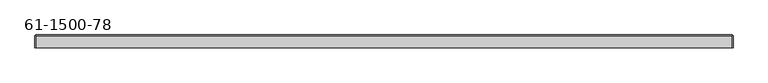
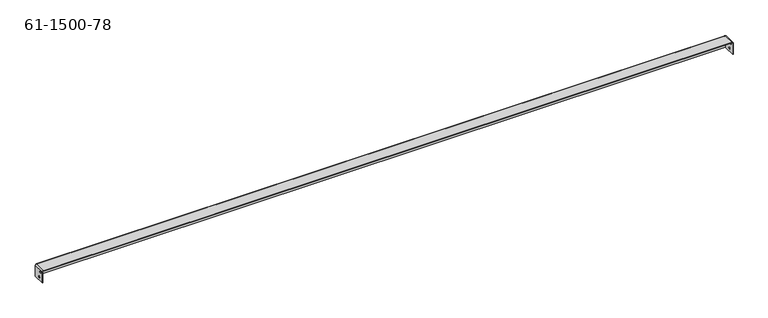
"""IFC4 building model written with IfcOpenShell, lengths in millimetres: proxy geometry, 61-1500-78."""

from ifc_helpers import new_model, si_unit, frame, origin, place, context, project, spatial, polyline, circle_curve, source, transform, mapped, element, save
from ifc_brep_helpers import plane_surface, cylinder_surface, revolved_surface, advanced_brep


def proxy_61_1500_78_7c86afb4(model_context):
    return source(origin(), model_context, "Body", "AdvancedBrep", [
        advanced_brep(
        [(-195.4114734, -8.8208295, -3.62966), (-196.4173134, -8.8208295, -3.62966), (-196.4173134, -8.8208295, -7.05866), (-195.4114734, -8.8208295, -7.05866), (1197.1028866, -8.8208295, -3.62966), (1196.0970466, -8.8208295, -3.62966), (1196.0970466, -8.8208295, -7.05866), (1197.1028866, -8.8208295, -7.05866), (-196.4173134, -4.1777095, -19.75866), (-195.4114734, -4.1777095, -19.75866), (-195.4114734, -4.1777095, -16.32966), (-196.4173134, -4.1777095, -16.32966), (1196.0970466, -4.1777095, -19.75866), (1197.1028866, -4.1777095, -19.75866), (1197.1028866, -4.1777095, -16.32966), (1196.0970466, -4.1777095, -16.32966), (418.4138166, 9.2233305, -11.69416), (418.4138166, 10.2291705, -11.69416), (415.3658166, 10.2291705, -11.69416), (415.3658166, 9.2233305, -11.69416), (139.0138166, 9.2233305, -11.69416), (139.0138166, 10.2291705, -11.69416), (135.9658166, 10.2291705, -11.69416), (135.9658166, 9.2233305, -11.69416), (-140.3861834, 9.2233305, -11.69416), (-140.3861834, 10.2291705, -11.69416), (-143.4341834, 10.2291705, -11.69416), (-143.4341834, 9.2233305, -11.69416), (725.0197566, 9.2233305, -11.69416), (725.0197566, 10.2291705, -11.69416), (721.9717566, 10.2291705, -11.69416), (721.9717566, 9.2233305, -11.69416), (1004.4197566, 9.2233305, -11.69416), (1004.4197566, 10.2291705, -11.69416), (1001.3717566, 10.2291705, -11.69416), (1001.3717566, 9.2233305, -11.69416), (1144.1197566, 9.2233305, -11.69416), (1144.1197566, 10.2291705, -11.69416), (1141.0717566, 10.2291705, -11.69416), (1141.0717566, 9.2233305, -11.69416), (864.7197566, 9.2233305, -11.69416), (864.7197566, 10.2291705, -11.69416), (861.6717566, 10.2291705, -11.69416), (861.6717566, 9.2233305, -11.69416), (585.3197566, 9.2233305, -11.69416), (585.3197566, 10.2291705, -11.69416), (582.2717566, 10.2291705, -11.69416), (582.2717566, 9.2233305, -11.69416), (-0.6861834, 9.2233305, -11.69416), (-0.6861834, 10.2291705, -11.69416), (-3.7341834, 10.2291705, -11.69416), (-3.7341834, 9.2233305, -11.69416), (278.7138166, 9.2233305, -11.69416), (278.7138166, 10.2291705, -11.69416), (275.6658166, 10.2291705, -11.69416), (275.6658166, 9.2233305, -11.69416), (-194.4056334, 9.2233305, -24.39416), (-194.4056334, 10.2291705, -24.39416), (1195.0912066, 10.2291705, -24.39416), (1195.0912066, 9.2233305, -24.39416), (-194.4056334, 10.2291705, -1.00584), (1195.0912066, 10.2291705, -1.00584), (1197.1028866, -15.1708295, -1.00584), (1197.1028866, 8.2174905, -1.00584), (1195.0912066, 8.2174905, 1.00584), (1195.0912066, -15.1708295, 1.00584), (1196.0970466, 8.2174905, -1.00584), (1196.0970466, -15.1708295, -1.00584), (1195.0912066, -15.1708295, 0.0), (1195.0912066, 8.2174905, 0.0), (1195.0912066, 9.2233305, -1.00584), (-194.4056334, 8.2174905, 1.00584), (-194.4056334, -15.1708295, 0.0), (-194.4056334, 8.2174905, 0.0), (-194.4056334, -15.1708295, 1.00584), (-196.4173134, -15.1708295, -1.00584), (-196.4173134, -15.1708295, -24.39416), (-195.4114734, -15.1708295, -24.39416), (-195.4114734, -15.1708295, -1.00584), (1196.0970466, -15.1708295, -24.39416), (1197.1028866, -15.1708295, -24.39416), (-196.4173134, 8.2174905, -1.00584), (-195.4114734, 8.2174905, -1.00584), (-194.4056334, 9.2233305, -1.00584), (-196.4173134, 8.2174905, -24.39416), (-195.4114734, 8.2174905, -24.39416), (1197.1028866, 8.2174905, -24.39416), (1196.0970466, 8.2174905, -24.39416)],
        [
            (0, 1),
            (1, 2, circle_curve(frame((-196.4173134, -8.8208295, -5.34416), z_axis=(-1.0, 0.0, 0.0), x_axis=(0.0, 0.0, 1.0)), 1.7145)),
            (2, 3),
            (3, 0, circle_curve(frame((-195.4114734, -8.8208295, -5.34416), z_axis=(1.0, 0.0, 0.0), x_axis=(0.0, 0.0, 1.0)), 1.7145)),
            (4, 5),
            (5, 6, circle_curve(frame((1196.0970466, -8.8208295, -5.34416), z_axis=(-1.0, 0.0, 0.0), x_axis=(0.0, 0.0, 1.0)), 1.7145)),
            (6, 7),
            (7, 4, circle_curve(frame((1197.1028866, -8.8208295, -5.34416), z_axis=(1.0, 0.0, 0.0), x_axis=(0.0, 0.0, 1.0)), 1.7145)),
            (8, 9),
            (9, 10, circle_curve(frame((-195.4114734, -4.1777095, -18.04416), z_axis=(1.0, 0.0, 0.0), x_axis=(0.0, 0.0, -1.0)), 1.7145)),
            (10, 11),
            (11, 8, circle_curve(frame((-196.4173134, -4.1777095, -18.04416), z_axis=(-1.0, 0.0, 0.0), x_axis=(0.0, 0.0, -1.0)), 1.7145)),
            (12, 13),
            (13, 14, circle_curve(frame((1197.1028866, -4.1777095, -18.04416), z_axis=(1.0, 0.0, 0.0), x_axis=(0.0, 0.0, -1.0)), 1.7145)),
            (14, 15),
            (15, 12, circle_curve(frame((1196.0970466, -4.1777095, -18.04416), z_axis=(-1.0, 0.0, 0.0), x_axis=(0.0, 0.0, -1.0)), 1.7145)),
            (16, 17),
            (17, 18, circle_curve(frame((416.8898166, 10.2291705, -11.69416), z_axis=(0.0, 1.0, 0.0), x_axis=(1.0, 0.0, 0.0)), 1.524)),
            (18, 19),
            (19, 16, circle_curve(frame((416.8898166, 9.2233305, -11.69416), z_axis=(0.0, -1.0, 0.0), x_axis=(1.0, 0.0, 0.0)), 1.524)),
            (20, 21),
            (21, 22, circle_curve(frame((137.4898166, 10.2291705, -11.69416), z_axis=(0.0, 1.0, 0.0), x_axis=(1.0, 0.0, 0.0)), 1.524)),
            (22, 23),
            (23, 20, circle_curve(frame((137.4898166, 9.2233305, -11.69416), z_axis=(0.0, -1.0, 0.0), x_axis=(1.0, 0.0, 0.0)), 1.524)),
            (24, 25),
            (25, 26, circle_curve(frame((-141.9101834, 10.2291705, -11.69416), z_axis=(0.0, 1.0, 0.0), x_axis=(1.0, 0.0, 0.0)), 1.524)),
            (26, 27),
            (27, 24, circle_curve(frame((-141.9101834, 9.2233305, -11.69416), z_axis=(0.0, -1.0, 0.0), x_axis=(1.0, 0.0, 0.0)), 1.524)),
            (28, 29),
            (29, 30, circle_curve(frame((723.4957566, 10.2291705, -11.69416), z_axis=(0.0, 1.0, 0.0), x_axis=(1.0, 0.0, 0.0)), 1.524)),
            (30, 31),
            (31, 28, circle_curve(frame((723.4957566, 9.2233305, -11.69416), z_axis=(0.0, -1.0, 0.0), x_axis=(1.0, 0.0, 0.0)), 1.524)),
            (32, 33),
            (33, 34, circle_curve(frame((1002.8957566, 10.2291705, -11.69416), z_axis=(0.0, 1.0, 0.0), x_axis=(1.0, 0.0, 0.0)), 1.524)),
            (34, 35),
            (35, 32, circle_curve(frame((1002.8957566, 9.2233305, -11.69416), z_axis=(0.0, -1.0, 0.0), x_axis=(1.0, 0.0, 0.0)), 1.524)),
            (36, 37),
            (37, 38, circle_curve(frame((1142.5957566, 10.2291705, -11.69416), z_axis=(0.0, 1.0, 0.0), x_axis=(1.0, 0.0, 0.0)), 1.524)),
            (38, 39),
            (39, 36, circle_curve(frame((1142.5957566, 9.2233305, -11.69416), z_axis=(0.0, -1.0, 0.0), x_axis=(1.0, 0.0, 0.0)), 1.524)),
            (40, 41),
            (41, 42, circle_curve(frame((863.1957566, 10.2291705, -11.69416), z_axis=(0.0, 1.0, 0.0), x_axis=(1.0, 0.0, 0.0)), 1.524)),
            (42, 43),
            (43, 40, circle_curve(frame((863.1957566, 9.2233305, -11.69416), z_axis=(0.0, -1.0, 0.0), x_axis=(1.0, 0.0, 0.0)), 1.524)),
            (44, 45),
            (45, 46, circle_curve(frame((583.7957566, 10.2291705, -11.69416), z_axis=(0.0, 1.0, 0.0), x_axis=(1.0, 0.0, 0.0)), 1.524)),
            (46, 47),
            (47, 44, circle_curve(frame((583.7957566, 9.2233305, -11.69416), z_axis=(0.0, -1.0, 0.0), x_axis=(1.0, 0.0, 0.0)), 1.524)),
            (48, 49),
            (49, 50, circle_curve(frame((-2.2101834, 10.2291705, -11.69416), z_axis=(0.0, 1.0, 0.0), x_axis=(1.0, 0.0, 0.0)), 1.524)),
            (50, 51),
            (51, 48, circle_curve(frame((-2.2101834, 9.2233305, -11.69416), z_axis=(0.0, -1.0, 0.0), x_axis=(1.0, 0.0, 0.0)), 1.524)),
            (52, 53),
            (53, 54, circle_curve(frame((277.1898166, 10.2291705, -11.69416), z_axis=(0.0, 1.0, 0.0), x_axis=(1.0, 0.0, 0.0)), 1.524)),
            (54, 55),
            (55, 52, circle_curve(frame((277.1898166, 9.2233305, -11.69416), z_axis=(0.0, -1.0, 0.0), x_axis=(1.0, 0.0, 0.0)), 1.524)),
            (52, 55, circle_curve(frame((277.1898166, 9.2233305, -11.69416), z_axis=(0.0, -1.0, 0.0), x_axis=(1.0, 0.0, 0.0)), 1.524)),
            (54, 53, circle_curve(frame((277.1898166, 10.2291705, -11.69416), z_axis=(0.0, 1.0, 0.0), x_axis=(1.0, 0.0, 0.0)), 1.524)),
            (48, 51, circle_curve(frame((-2.2101834, 9.2233305, -11.69416), z_axis=(0.0, -1.0, 0.0), x_axis=(1.0, 0.0, 0.0)), 1.524)),
            (50, 49, circle_curve(frame((-2.2101834, 10.2291705, -11.69416), z_axis=(0.0, 1.0, 0.0), x_axis=(1.0, 0.0, 0.0)), 1.524)),
            (44, 47, circle_curve(frame((583.7957566, 9.2233305, -11.69416), z_axis=(0.0, -1.0, 0.0), x_axis=(1.0, 0.0, 0.0)), 1.524)),
            (46, 45, circle_curve(frame((583.7957566, 10.2291705, -11.69416), z_axis=(0.0, 1.0, 0.0), x_axis=(1.0, 0.0, 0.0)), 1.524)),
            (40, 43, circle_curve(frame((863.1957566, 9.2233305, -11.69416), z_axis=(0.0, -1.0, 0.0), x_axis=(1.0, 0.0, 0.0)), 1.524)),
            (42, 41, circle_curve(frame((863.1957566, 10.2291705, -11.69416), z_axis=(0.0, 1.0, 0.0), x_axis=(1.0, 0.0, 0.0)), 1.524)),
            (36, 39, circle_curve(frame((1142.5957566, 9.2233305, -11.69416), z_axis=(0.0, -1.0, 0.0), x_axis=(1.0, 0.0, 0.0)), 1.524)),
            (38, 37, circle_curve(frame((1142.5957566, 10.2291705, -11.69416), z_axis=(0.0, 1.0, 0.0), x_axis=(1.0, 0.0, 0.0)), 1.524)),
            (32, 35, circle_curve(frame((1002.8957566, 9.2233305, -11.69416), z_axis=(0.0, -1.0, 0.0), x_axis=(1.0, 0.0, 0.0)), 1.524)),
            (34, 33, circle_curve(frame((1002.8957566, 10.2291705, -11.69416), z_axis=(0.0, 1.0, 0.0), x_axis=(1.0, 0.0, 0.0)), 1.524)),
            (28, 31, circle_curve(frame((723.4957566, 9.2233305, -11.69416), z_axis=(0.0, -1.0, 0.0), x_axis=(1.0, 0.0, 0.0)), 1.524)),
            (30, 29, circle_curve(frame((723.4957566, 10.2291705, -11.69416), z_axis=(0.0, 1.0, 0.0), x_axis=(1.0, 0.0, 0.0)), 1.524)),
            (24, 27, circle_curve(frame((-141.9101834, 9.2233305, -11.69416), z_axis=(0.0, -1.0, 0.0), x_axis=(1.0, 0.0, 0.0)), 1.524)),
            (26, 25, circle_curve(frame((-141.9101834, 10.2291705, -11.69416), z_axis=(0.0, 1.0, 0.0), x_axis=(1.0, 0.0, 0.0)), 1.524)),
            (20, 23, circle_curve(frame((137.4898166, 9.2233305, -11.69416), z_axis=(0.0, -1.0, 0.0), x_axis=(1.0, 0.0, 0.0)), 1.524)),
            (22, 21, circle_curve(frame((137.4898166, 10.2291705, -11.69416), z_axis=(0.0, 1.0, 0.0), x_axis=(1.0, 0.0, 0.0)), 1.524)),
            (16, 19, circle_curve(frame((416.8898166, 9.2233305, -11.69416), z_axis=(0.0, -1.0, 0.0), x_axis=(1.0, 0.0, 0.0)), 1.524)),
            (18, 17, circle_curve(frame((416.8898166, 10.2291705, -11.69416), z_axis=(0.0, 1.0, 0.0), x_axis=(1.0, 0.0, 0.0)), 1.524)),
            (12, 15, circle_curve(frame((1196.0970466, -4.1777095, -18.04416), z_axis=(-1.0, 0.0, 0.0), x_axis=(0.0, 0.0, -1.0)), 1.7145)),
            (14, 13, circle_curve(frame((1197.1028866, -4.1777095, -18.04416), z_axis=(1.0, 0.0, 0.0), x_axis=(0.0, 0.0, -1.0)), 1.7145)),
            (8, 11, circle_curve(frame((-196.4173134, -4.1777095, -18.04416), z_axis=(-1.0, 0.0, 0.0), x_axis=(0.0, 0.0, -1.0)), 1.7145)),
            (10, 9, circle_curve(frame((-195.4114734, -4.1777095, -18.04416), z_axis=(1.0, 0.0, 0.0), x_axis=(0.0, 0.0, -1.0)), 1.7145)),
            (4, 7, circle_curve(frame((1197.1028866, -8.8208295, -5.34416), z_axis=(1.0, 0.0, 0.0), x_axis=(0.0, 0.0, 1.0)), 1.7145)),
            (6, 5, circle_curve(frame((1196.0970466, -8.8208295, -5.34416), z_axis=(-1.0, 0.0, 0.0), x_axis=(0.0, 0.0, 1.0)), 1.7145)),
            (0, 3, circle_curve(frame((-195.4114734, -8.8208295, -5.34416), z_axis=(1.0, 0.0, 0.0), x_axis=(0.0, 0.0, 1.0)), 1.7145)),
            (2, 1, circle_curve(frame((-196.4173134, -8.8208295, -5.34416), z_axis=(-1.0, 0.0, 0.0), x_axis=(0.0, 0.0, 1.0)), 1.7145)),
            (56, 57),
            (57, 58),
            (58, 59),
            (59, 56),
            (57, 60),
            (60, 61),
            (61, 58),
            (62, 63),
            (63, 64, circle_curve(frame((1195.0912066, 8.2174905, -1.00584), z_axis=(0.0, -1.0, 0.0), x_axis=(0.0, 0.0, 1.0)), 2.01168)),
            (64, 65),
            (65, 62, circle_curve(frame((1195.0912066, -15.1708295, -1.00584), z_axis=(0.0, 1.0, 0.0), x_axis=(0.0, 0.0, 1.0)), 2.01168)),
            (66, 67),
            (67, 68, circle_curve(frame((1195.0912066, -15.1708295, -1.00584), z_axis=(0.0, -1.0, 0.0), x_axis=(0.0, 0.0, 1.0)), 1.00584)),
            (68, 69),
            (69, 66, circle_curve(frame((1195.0912066, 8.2174905, -1.00584), z_axis=(0.0, 1.0, 0.0), x_axis=(0.0, 0.0, 1.0)), 1.00584)),
            (64, 69),
            (69, 70, circle_curve(frame((1195.0912066, 8.2174905, -1.00584), z_axis=(-1.0, 0.0, 0.0), x_axis=(0.0, 0.0, 1.0)), 1.00584)),
            (70, 59),
            (61, 64, circle_curve(frame((1195.0912066, 8.2174905, -1.00584), z_axis=(1.0, 0.0, 0.0), x_axis=(0.0, 0.0, 1.0)), 2.01168)),
            (60, 71, circle_curve(frame((-194.4056334, 8.2174905, -1.00584), z_axis=(1.0, 0.0, 0.0), x_axis=(0.0, 0.0, 1.0)), 2.01168)),
            (71, 64),
            (68, 72),
            (72, 73),
            (73, 69),
            (65, 74),
            (74, 75, circle_curve(frame((-194.4056334, -15.1708295, -1.00584), z_axis=(0.0, -1.0, 0.0), x_axis=(0.0, 0.0, 1.0)), 2.01168)),
            (75, 76),
            (76, 77),
            (77, 78),
            (78, 72, circle_curve(frame((-194.4056334, -15.1708295, -1.00584), z_axis=(0.0, 1.0, 0.0), x_axis=(0.0, 0.0, 1.0)), 1.00584)),
            (67, 79),
            (79, 80),
            (80, 62),
            (81, 75),
            (74, 71),
            (71, 81, circle_curve(frame((-194.4056334, 8.2174905, -1.00584), z_axis=(0.0, -1.0, 0.0), x_axis=(0.0, 0.0, 1.0)), 2.01168)),
            (78, 82),
            (82, 73, circle_curve(frame((-194.4056334, 8.2174905, -1.00584), z_axis=(0.0, 1.0, 0.0), x_axis=(0.0, 0.0, 1.0)), 1.00584)),
            (73, 71),
            (56, 83),
            (83, 73, circle_curve(frame((-194.4056334, 8.2174905, -1.00584), z_axis=(1.0, 0.0, 0.0), x_axis=(0.0, 0.0, 1.0)), 1.00584)),
            (83, 70),
            (81, 84),
            (84, 76),
            (82, 85),
            (85, 84),
            (85, 77),
            (63, 86),
            (86, 87),
            (87, 66),
            (80, 86),
            (79, 87),
        ],
        [
            revolved_surface(polyline([(-196.4173134, -8.8208295, -3.6296599999999994), (-195.41147339999998, -8.8208295, -3.6296599999999994)]), (1197.5657811, -8.8208295, -5.34416), (-1.0, 0.0, 0.0)),
            revolved_surface(polyline([(1196.0970466, -8.8208295, -3.6296599999999994), (1197.1028866, -8.8208295, -3.6296599999999994)]), (1197.5657811, -8.8208295, -5.34416), (-1.0, 0.0, 0.0)),
            revolved_surface(polyline([(-195.4114734, -4.1777095, -19.758660000000003), (-196.4173134, -4.1777095, -19.758660000000003)]), (-196.8802079, -4.1777095, -18.04416), (1.0, 0.0, 0.0)),
            revolved_surface(polyline([(1197.1028866, -4.1777095, -19.758660000000003), (1196.0970466, -4.1777095, -19.758660000000003)]), (-196.8802079, -4.1777095, -18.04416), (1.0, 0.0, 0.0)),
            revolved_surface(polyline([(418.4138166, 10.2291705, -11.69416), (418.4138166, 9.2233305, -11.69416)]), (416.8898166, 0.7041705, -11.69416), (0.0, 1.0, 0.0)),
            revolved_surface(polyline([(139.0138166, 10.2291705, -11.69416), (139.0138166, 9.2233305, -11.69416)]), (137.4898166, 0.7041705, -11.69416), (0.0, 1.0, 0.0)),
            revolved_surface(polyline([(-140.3861834, 10.2291705, -11.69416), (-140.3861834, 9.2233305, -11.69416)]), (-141.9101834, 0.7041705, -11.69416), (0.0, 1.0, 0.0)),
            revolved_surface(polyline([(725.0197566, 10.2291705, -11.69416), (725.0197566, 9.2233305, -11.69416)]), (723.4957566, 0.7041705, -11.69416), (0.0, 1.0, 0.0)),
            revolved_surface(polyline([(1004.4197566, 10.2291705, -11.69416), (1004.4197566, 9.2233305, -11.69416)]), (1002.8957566, 0.7041705, -11.69416), (0.0, 1.0, 0.0)),
            revolved_surface(polyline([(1144.1197565999998, 10.2291705, -11.69416), (1144.1197565999998, 9.2233305, -11.69416)]), (1142.5957566, 0.7041705, -11.69416), (0.0, 1.0, 0.0)),
            revolved_surface(polyline([(864.7197566, 10.2291705, -11.69416), (864.7197566, 9.2233305, -11.69416)]), (863.1957566, 0.7041705, -11.69416), (0.0, 1.0, 0.0)),
            revolved_surface(polyline([(585.3197566, 10.2291705, -11.69416), (585.3197566, 9.2233305, -11.69416)]), (583.7957566, 0.7041705, -11.69416), (0.0, 1.0, 0.0)),
            revolved_surface(polyline([(-0.6861834, 10.2291705, -11.69416), (-0.6861834, 9.2233305, -11.69416)]), (-2.2101834, 0.7041705, -11.69416), (0.0, 1.0, 0.0)),
            revolved_surface(polyline([(278.7138166, 10.2291705, -11.69416), (278.7138166, 9.2233305, -11.69416)]), (277.1898166, 0.7041705, -11.69416), (0.0, 1.0, 0.0)),
            plane_surface(frame((1197.1028866, 10.2291705, -24.39416), z_axis=(0.0, 0.0, -1.0), x_axis=(-1.0, 0.0, 0.0))),
            plane_surface(frame((500.3427866, 10.2291705, -11.69416), z_axis=(0.0, 1.0, 0.0), x_axis=(0.0, 0.0, 1.0))),
            cylinder_surface(frame((1195.0912066, -3.4766695, -1.00584), z_axis=(0.0, 1.0, 0.0), x_axis=(0.0, 0.0, 1.0)), 2.01168),
            revolved_surface(polyline([(1195.0912066, 8.2174905, 0.0), (1195.0912066, -15.1708295, 0.0)]), (1195.0912066, -3.4766695, -1.00584), (0.0, 1.0, 0.0)),
            plane_surface(frame((1195.0912066, 8.2174905, 1.00584), z_axis=(1.0, 0.0, 0.0), x_axis=(0.0, 0.0, 1.0))),
            cylinder_surface(frame((500.3427866, 8.2174905, -1.00584), z_axis=(-1.0, 0.0, 0.0), x_axis=(0.0, 0.0, 1.0)), 2.01168),
            plane_surface(frame((500.3427866, -2.4708295, 0.0), z_axis=(0.0, 0.0, -1.0), x_axis=(1.0, 0.0, 0.0))),
            plane_surface(frame((1197.1028866, -15.1708295, 0.0), z_axis=(0.0, -1.0, 0.0), x_axis=(0.0, 0.0, -1.0))),
            cylinder_surface(frame((-194.4056334, -3.4766695, -1.00584), z_axis=(0.0, -1.0, 0.0), x_axis=(0.0, 0.0, 1.0)), 2.01168),
            revolved_surface(polyline([(-194.4056334, -15.1708295, 0.0), (-194.4056334, 8.2174905, 0.0)]), (-194.4056334, -3.4766695, -1.00584), (0.0, -1.0, 0.0)),
            plane_surface(frame((-194.4056334, -15.1708295, 1.00584), z_axis=(-1.0, 0.0, 0.0), x_axis=(0.0, 0.0, -1.0))),
            revolved_surface(polyline([(-194.4056334, 8.2174905, 0.0), (1195.0912066, 8.2174905, 0.0)]), (500.3427866, 8.2174905, -1.00584), (-1.0, 0.0, 0.0)),
            plane_surface(frame((500.3427866, -2.4708295, 1.00584), z_axis=(0.0, 0.0, 1.0), x_axis=(1.0, 0.0, 0.0))),
            plane_surface(frame((500.3427866, 9.2233305, -11.69416), z_axis=(0.0, -1.0, 0.0), x_axis=(0.0, 0.0, 1.0))),
            plane_surface(frame((-196.4173134, -3.4766695, -11.69416), z_axis=(-1.0, 0.0, 0.0), x_axis=(0.0, 0.0, -1.0))),
            plane_surface(frame((-196.4173134, 8.2174905, 1.00584), z_axis=(0.0, 1.0, 0.0), x_axis=(0.0, 0.0, 1.0))),
            plane_surface(frame((-196.4173134, 8.2174905, -24.39416), z_axis=(0.0, 0.0, -1.0), x_axis=(-1.0, 0.0, 0.0))),
            plane_surface(frame((-195.4114734, -3.4766695, -11.69416), z_axis=(1.0, 0.0, 0.0), x_axis=(0.0, 0.0, -1.0))),
            plane_surface(frame((1197.1028866, 8.2174905, -24.39416), z_axis=(0.0, 1.0, 0.0), x_axis=(0.0, 0.0, 1.0))),
            plane_surface(frame((1197.1028866, -3.4766695, -11.69416), z_axis=(1.0, 0.0, 0.0), x_axis=(0.0, 0.0, -1.0))),
            plane_surface(frame((1197.1028866, -15.1708295, -24.39416), z_axis=(0.0, 0.0, -1.0), x_axis=(-1.0, 0.0, 0.0))),
            plane_surface(frame((1196.0970466, -3.4766695, -11.69416), z_axis=(-1.0, 0.0, 0.0), x_axis=(0.0, 0.0, -1.0))),
        ],
        [
            (0, [[1, 2, 3, 4]]),
            (1, [[5, 6, 7, 8]]),
            (2, [[9, 10, 11, 12]]),
            (3, [[13, 14, 15, 16]]),
            (4, [[17, 18, 19, 20]]),
            (5, [[21, 22, 23, 24]]),
            (6, [[25, 26, 27, 28]]),
            (7, [[29, 30, 31, 32]]),
            (8, [[33, 34, 35, 36]]),
            (9, [[37, 38, 39, 40]]),
            (10, [[41, 42, 43, 44]]),
            (11, [[45, 46, 47, 48]]),
            (12, [[49, 50, 51, 52]]),
            (13, [[53, 54, 55, 56]]),
            (13, [[-53, 57, -55, 58]]),
            (12, [[-49, 59, -51, 60]]),
            (11, [[-45, 61, -47, 62]]),
            (10, [[-41, 63, -43, 64]]),
            (9, [[-37, 65, -39, 66]]),
            (8, [[-33, 67, -35, 68]]),
            (7, [[-29, 69, -31, 70]]),
            (6, [[-25, 71, -27, 72]]),
            (5, [[-21, 73, -23, 74]]),
            (4, [[-17, 75, -19, 76]]),
            (3, [[-13, 77, -15, 78]]),
            (2, [[-9, 79, -11, 80]]),
            (1, [[-5, 81, -7, 82]]),
            (0, [[-1, 83, -3, 84]]),
            (14, [[85, 86, 87, 88]]),
            (15, [[89, 90, 91, -86], [-58, -54], [-60, -50], [-62, -46], [-64, -42], [-66, -38], [-68, -34], [-70, -30], [-72, -26], [-74, -22], [-76, -18]]),
            (16, [[92, 93, 94, 95]]),
            (17, [[96, 97, 98, 99]]),
            (18, [[100, 101, 102, -87, -91, 103]]),
            (19, [[-103, -90, 104, 105]]),
            (20, [[-98, 106, 107, 108]]),
            (21, [[109, 110, 111, 112, 113, 114, -106, -97, 115, 116, 117, -95]]),
            (22, [[118, -110, 119, 120]]),
            (23, [[121, 122, -107, -114]]),
            (24, [[123, -104, -89, -85, 124, 125]]),
            (25, [[-101, -108, -125, 126]]),
            (26, [[-94, -105, -119, -109]]),
            (27, [[-124, -88, -102, -126], [-57, -56], [-59, -52], [-61, -48], [-63, -44], [-65, -40], [-67, -36], [-69, -32], [-71, -28], [-73, -24], [-75, -20]]),
            (28, [[-118, 127, 128, -111], [-79, -12], [-84, -2]]),
            (29, [[129, 130, -127, -120, -123, -122]]),
            (30, [[131, -112, -128, -130]]),
            (31, [[-121, -113, -131, -129], [-10, -80], [-83, -4]]),
            (32, [[132, 133, 134, -99, -100, -93]]),
            (33, [[-92, -117, 135, -132], [-78, -14], [-81, -8]]),
            (34, [[136, -133, -135, -116]]),
            (35, [[-96, -134, -136, -115], [-6, -82], [-77, -16]]),
        ],
    ),
    ])


if __name__ == "__main__":
    model = new_model("IFC4")
    model_context = context("Model", 3, world=origin())
    ifc_project = project(units=[si_unit("LENGTHUNIT", "METRE", prefix="MILLI")], contexts=[model_context])
    site = spatial("IfcSite", under=ifc_project)
    building = spatial("IfcBuilding", under=site)
    placement = place(None, origin())
    proxy_61_1500_78_shape = proxy_61_1500_78_7c86afb4(model_context)
    element("IfcBuildingElementProxy", 1, Name="61-1500-78", ObjectType="61-1500-78", at=placement, inside=building, context=model_context, shape_type="MappedRepresentation", body=[
        mapped(proxy_61_1500_78_shape, transform((0.0, 0.0, 0.0), x_axis=(1.0, 0.0, 0.0), y_axis=(0.0, 1.0, 0.0), z_axis=(0.0, 0.0, 1.0))),
    ])
    save(model, "model.ifc")
